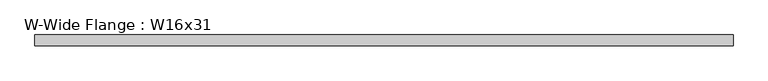
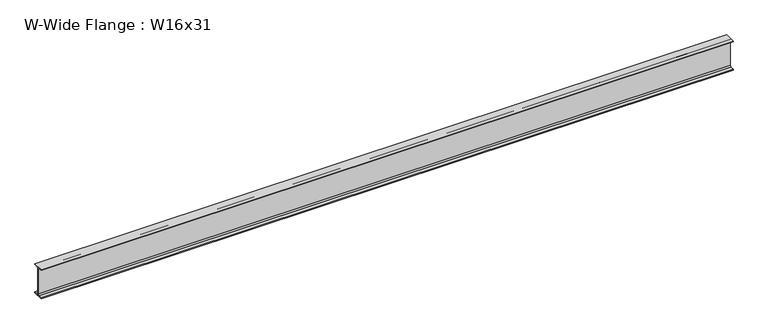
"""IFC4 building model written with IfcOpenShell, lengths in millimetres: beam geometry, W-Wide Flange : W16x31."""

from ifc_helpers import new_model, si_unit, point, frame, frame_2d, origin, place, context, project, spatial, polyline, circle_curve, trimmed, segment, composite_curve, outline, extrude, source, transform, mapped, element, save


def w_wide_flange_w16x31_c578dffa(model_context):
    return source(origin(), model_context, "Body", "SweptSolid", [
        extrude(outline(composite_curve([segment(polyline([(70.231, -190.754), (70.231, -201.93), (-70.231, -201.93), (-70.231, -190.754), (-20.8915, -190.754)]), True, "CONTINUOUS"), segment(trimmed(circle_curve(frame_2d((-20.8915, -173.355)), 17.399), [point((-20.8915, -190.754))], [point((-3.4925, -173.355))], True, "CARTESIAN"), True, "CONTINUOUS"), segment(polyline([(-3.4925, -173.355), (-3.4925, 173.355)]), True, "CONTINUOUS"), segment(trimmed(circle_curve(frame_2d((-20.8915, 173.355)), 17.399), [point((-3.4925, 173.355))], [point((-20.8915, 190.754))], True, "CARTESIAN"), True, "CONTINUOUS"), segment(polyline([(-20.8915, 190.754), (-70.231, 190.754), (-70.231, 201.93), (70.231, 201.93), (70.231, 190.754), (20.8915, 190.754)]), True, "CONTINUOUS"), segment(trimmed(circle_curve(frame_2d((20.8915, 173.355)), 17.399), [point((20.8915, 190.754))], [point((3.4925, 173.355))], True, "CARTESIAN"), True, "CONTINUOUS"), segment(polyline([(3.4925, 173.355), (3.4925, -173.355)]), True, "CONTINUOUS"), segment(trimmed(circle_curve(frame_2d((20.8915, -173.355)), 17.399), [point((3.4925, -173.355))], [point((20.8915, -190.754))], True, "CARTESIAN"), True, "CONTINUOUS"), segment(polyline([(20.8915, -190.754), (70.231, -190.754)]), True, "CONTINUOUS")], self_intersect=False)), frame((-4560.7983624, 0.0, 0.0), z_axis=(1.0, 0.0, 0.0), x_axis=(0.0, 1.0, 0.0)), (0.0, 0.0, 1.0), 9121.5970357),
    ])


if __name__ == "__main__":
    model = new_model("IFC4")
    model_context = context("Model", 3, world=origin())
    ifc_project = project(units=[si_unit("LENGTHUNIT", "METRE", prefix="MILLI")], contexts=[model_context])
    site = spatial("IfcSite", under=ifc_project)
    building = spatial("IfcBuilding", under=site)
    placement = place(None, origin())
    w_wide_flange_w16x31_shape = w_wide_flange_w16x31_c578dffa(model_context)
    element("IfcBeam", 1, ObjectType="W-Wide Flange : W16x31", at=placement, inside=building, context=model_context, shape_type="MappedRepresentation", body=[
        mapped(w_wide_flange_w16x31_shape, transform((0.0, 0.0, 0.0), x_axis=(1.0, 0.0, 0.0), y_axis=(0.0, 1.0, 0.0), z_axis=(0.0, 0.0, 1.0))),
    ])
    save(model, "model.ifc")
